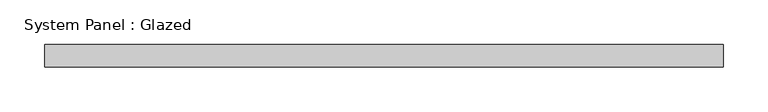
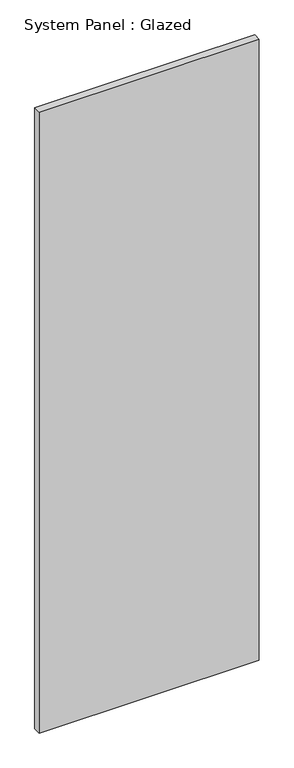
"""IFC4 building model written with IfcOpenShell, lengths in millimetres: plate geometry, System Panel : Glazed."""

import ifcopenshell
import ifcopenshell.guid

model = None  # the IFC model being written
_history = None  # IfcOwnerHistory: only IFC2X3 demands one
_inside = {}  # id of a spatial element -> (the spatial element, [elements in it])
_under = {}  # id of a project, library or spatial element -> (it, [spatial elements below it])
_declared = {}  # id of a project -> (the project, [libraries it declares])
_typed = {}  # id of a type object -> (the type object, [elements of that type])
_made_of = {}  # id of a material, layer set ... -> (it, [elements and type objects made of it])


def new_model(schema):
    """Start an empty IFC model of exactly this schema.

    Asked for "IFC4X3", IfcOpenShell would pick the latest addendum, in which some entities
    have other attributes; the version numbers below select the first issue.
    IFC2X3 requires an IfcOwnerHistory on every rooted entity: one is made here for all.
    """
    global model, _history
    if schema == "IFC4X3":
        model = ifcopenshell.file(schema_version=(4, 3, 0, 0))
    else:
        model = ifcopenshell.file(schema=schema)
    _inside.clear()
    _under.clear()
    _declared.clear()
    _typed.clear()
    _made_of.clear()
    _history = None
    if model.schema == "IFC2X3":
        org = make("IfcOrganization", Name="unknown")
        user = make(
            "IfcPersonAndOrganization",
            ThePerson=make("IfcPerson", FamilyName="unknown"),
            TheOrganization=org,
        )
        app = make(
            "IfcApplication",
            ApplicationDeveloper=org,
            Version="unknown",
            ApplicationFullName="unknown",
            ApplicationIdentifier="unknown",
        )
        _history = make(
            "IfcOwnerHistory",
            OwningUser=user,
            OwningApplication=app,
            ChangeAction="ADDED",
            CreationDate=0,
        )
    return model


def make(cls, **values):
    """One entity of the class cls with the attributes given. An attribute that is None is left unset."""
    return model.create_entity(
        cls, **{name: value for name, value in values.items() if value is not None}
    )


def rooted(cls, **values):
    """An entity with a GlobalId (a new one), such as an element, a storey or a relation."""
    return make(cls, GlobalId=ifcopenshell.guid.new(), OwnerHistory=_history, **values)


def si_unit(unit_type, name, prefix=None):
    """IfcSIUnit, for example si_unit("LENGTHUNIT", "METRE", prefix="MILLI")."""
    return make("IfcSIUnit", UnitType=unit_type, Prefix=prefix, Name=name)


def assignment(units):
    """IfcUnitAssignment: the units of a project."""
    return None if units is None else make("IfcUnitAssignment", Units=units)


def point(xyz):
    """IfcCartesianPoint."""
    return None if xyz is None else make("IfcCartesianPoint", Coordinates=xyz)


def direction(xyz):
    """IfcDirection."""
    return None if xyz is None else make("IfcDirection", DirectionRatios=xyz)


def frame(location, z_axis=None, x_axis=None):
    """IfcAxis2Placement3D, a coordinate frame: its origin and axes. An axis left out is left unset."""
    return make(
        "IfcAxis2Placement3D",
        Location=point(location),
        Axis=direction(z_axis),
        RefDirection=direction(x_axis),
    )


def origin():
    """The frame at (0, 0, 0) with its axes left unset."""
    return frame((0.0, 0.0, 0.0))


def origin_with_axes():
    """The frame at (0, 0, 0) with the z axis (0, 0, 1) and the x axis (1, 0, 0) written out."""
    return frame((0.0, 0.0, 0.0), z_axis=(0.0, 0.0, 1.0), x_axis=(1.0, 0.0, 0.0))


def place(relative_to, where):
    """IfcLocalPlacement: puts the frame where relative to a parent placement (None: the world)."""
    return make(
        "IfcLocalPlacement", PlacementRelTo=relative_to, RelativePlacement=where
    )


def context(
    kind, dimensions, precision=None, world=None, true_north=None, identifier=None
):
    """IfcGeometricRepresentationContext, for example the 3D "Model" context."""
    return make(
        "IfcGeometricRepresentationContext",
        ContextIdentifier=identifier,
        ContextType=kind,
        CoordinateSpaceDimension=dimensions,
        Precision=precision,
        WorldCoordinateSystem=world,
        TrueNorth=true_north,
    )


def project(units=None, contexts=None):
    """IfcProject with its units and contexts."""
    return rooted(
        "IfcProject",
        Name="project",
        RepresentationContexts=contexts,
        UnitsInContext=assignment(units),
    )


def spatial(cls, under=None, at=None, **own):
    """A site, building, storey or space (cls), placed at a placement, below another one or the project."""
    s = rooted(cls, ObjectPlacement=at, **own)
    if under is not None:
        _under.setdefault(under.id(), (under, []))[1].append(s)
    return s


def polyline(points):
    """IfcPolyline through the points."""
    return make("IfcPolyline", Points=[point(p) for p in points])


def outline(outer, holes=None, kind="AREA"):
    """IfcArbitraryClosedProfileDef: a profile drawn as a closed curve; with holes, ...WithVoids."""
    if holes is None:
        return make("IfcArbitraryClosedProfileDef", ProfileType=kind, OuterCurve=outer)
    return make(
        "IfcArbitraryProfileDefWithVoids",
        ProfileType=kind,
        OuterCurve=outer,
        InnerCurves=holes,
    )


def extrude(swept, where, along, depth):
    """IfcExtrudedAreaSolid: the profile swept, set in the frame where, extruded along a direction by depth."""
    return make(
        "IfcExtrudedAreaSolid",
        SweptArea=swept,
        Position=where,
        ExtrudedDirection=direction(along),
        Depth=depth,
    )


def shape(context_of_items, identifier, shape_type, items):
    """IfcShapeRepresentation: the items that make up one representation, for example the "Body"."""
    return make(
        "IfcShapeRepresentation",
        ContextOfItems=context_of_items,
        RepresentationIdentifier=identifier,
        RepresentationType=shape_type,
        Items=items,
    )


def source(mapping_origin, context_of_items, identifier, shape_type, items):
    """IfcRepresentationMap: a shape defined once, which mapped items show again and again."""
    return make(
        "IfcRepresentationMap",
        MappingOrigin=mapping_origin,
        MappedRepresentation=shape(context_of_items, identifier, shape_type, items),
    )


def transform(
    local_origin,
    x_axis=None,
    y_axis=None,
    z_axis=None,
    scale=None,
    scale2=None,
    scale3=None,
    uniform=True,
):
    """IfcCartesianTransformationOperator3D, or its non-uniform kind. x_axis, y_axis, z_axis: its Axis1, 2, 3."""
    if uniform:
        return make(
            "IfcCartesianTransformationOperator3D",
            Axis1=direction(x_axis),
            Axis2=direction(y_axis),
            LocalOrigin=point(local_origin),
            Scale=scale,
            Axis3=direction(z_axis),
        )
    return make(
        "IfcCartesianTransformationOperator3DnonUniform",
        Axis1=direction(x_axis),
        Axis2=direction(y_axis),
        LocalOrigin=point(local_origin),
        Scale=scale,
        Axis3=direction(z_axis),
        Scale2=scale2,
        Scale3=scale3,
    )


def mapped(mapping_source, mapping_target):
    """IfcMappedItem: shows the shape of a source again, moved by a transform."""
    return make(
        "IfcMappedItem", MappingSource=mapping_source, MappingTarget=mapping_target
    )


def made_of(thing, what):
    """Note that an element or type object is made of a material, layer set ...; save() writes the relation."""
    if what is not None:
        _made_of.setdefault(what.id(), (what, []))[1].append(thing)
    return thing


def element(
    cls,
    number,
    at=None,
    inside=None,
    cuts=None,
    type_object=None,
    material=None,
    context=None,
    identifier="Body",
    shape_type=None,
    held_by="IfcProductDefinitionShape",
    body=None,
    shapes=None,
    **own,
):
    """One element of the class cls, such as IfcWall. Its Tag is "e" and its number.

    at: its placement. inside: the storey or other place that contains it. cuts: it is an
    opening in that element (IfcRelVoidsElement). A single representation is given by context,
    identifier, shape_type and body (its items); several are given by shapes. held_by: the class
    of the entity that holds the representations. save() writes the other relations.
    """
    e = rooted(cls, Tag="e%d" % number, ObjectPlacement=at, **own)
    if body is not None:
        shapes = [shape(context, identifier, shape_type, body)]
    if shapes is not None:
        e.Representation = make(held_by, Representations=shapes)
    if inside is not None:
        _inside.setdefault(inside.id(), (inside, []))[1].append(e)
    if cuts is not None:
        rooted(
            "IfcRelVoidsElement", RelatingBuildingElement=cuts, RelatedOpeningElement=e
        )
    if type_object is not None:
        _typed.setdefault(type_object.id(), (type_object, []))[1].append(e)
    return made_of(e, material)


def aggregate(whole, parts):
    """IfcRelAggregates: a whole, such as a stair, and the parts it consists of."""
    return rooted("IfcRelAggregates", RelatingObject=whole, RelatedObjects=parts)


def save(model, path):
    """Write the relations noted so far, then the file.

    IfcRelAggregates (storeys below a building ...), IfcRelContainedInSpatialStructure (elements
    in a storey), IfcRelDefinesByType, IfcRelAssociatesMaterial and IfcRelDeclares: one each for
    every whole, place, type object, material and project.
    """
    for whole, parts in _under.values():
        aggregate(whole, parts)
    for where, things in _inside.values():
        rooted(
            "IfcRelContainedInSpatialStructure",
            RelatedElements=things,
            RelatingStructure=where,
        )
    for kind, things in _typed.values():
        rooted("IfcRelDefinesByType", RelatedObjects=things, RelatingType=kind)
    for what, things in _made_of.values():
        rooted("IfcRelAssociatesMaterial", RelatedObjects=things, RelatingMaterial=what)
    for by, libraries in _declared.values():
        rooted("IfcRelDeclares", RelatingContext=by, RelatedDefinitions=libraries)
    model.write(path)


def system_panel_glazed_3f5d63f0(model_context):
    return source(origin(), model_context, "Body", "SweptSolid", [
        extrude(outline(polyline([(381.0000002, -44.45), (-381.0000002, -44.45), (-381.0000002, -19.05), (381.0000002, -19.05), (381.0000002, -44.45)])), origin_with_axes(), (0.0, 0.0, 1.0), 2271.6164637),
    ])


if __name__ == "__main__":
    model = new_model("IFC4")
    model_context = context("Model", 3, world=origin())
    ifc_project = project(units=[si_unit("LENGTHUNIT", "METRE", prefix="MILLI")], contexts=[model_context])
    site = spatial("IfcSite", under=ifc_project)
    building = spatial("IfcBuilding", under=site)
    placement = place(None, origin())
    system_panel_glazed_shape = system_panel_glazed_3f5d63f0(model_context)
    element("IfcPlate", 1, ObjectType="System Panel : Glazed", at=placement, inside=building, context=model_context, shape_type="MappedRepresentation", body=[
        mapped(system_panel_glazed_shape, transform((0.0, 0.0, 0.0), x_axis=(1.0, 0.0, 0.0), y_axis=(0.0, 1.0, 0.0), z_axis=(0.0, 0.0, 1.0))),
    ])
    save(model, "model.ifc")
